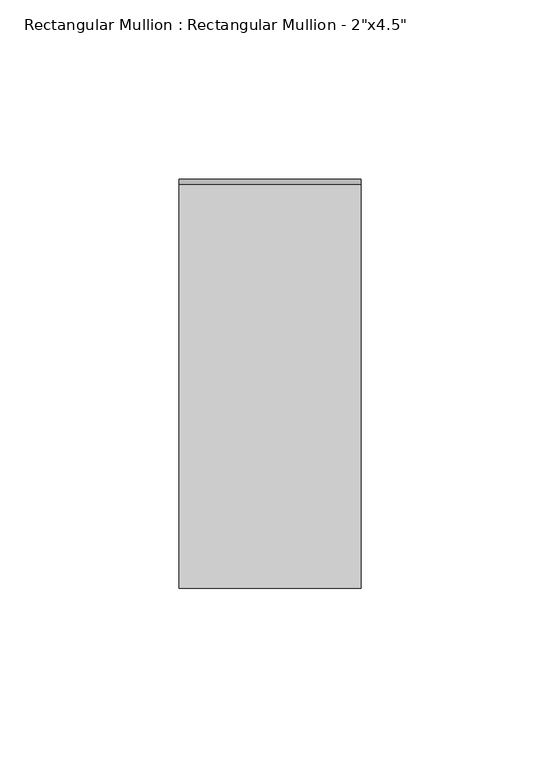
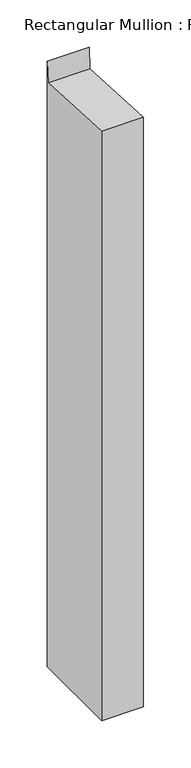
"""IFC4 building model written with IfcOpenShell, lengths in millimetres: member geometry."""

from ifc_helpers import new_model, si_unit, frame, origin, place, context, project, spatial, polyline, outline, extrude, source, transform, mapped, element, save


def member_b2e358dc(model_context):
    return source(origin(), model_context, "Body", "SweptSolid", [
        extrude(outline(polyline([(-57.15, 3.0093132), (55.7174627, -3.0050498), (57.15, 23.8784047), (57.15, -756.3677534), (-57.15, -756.3677534), (-57.15, 3.0093132)])), frame((-50.8, 0.0, 0.0), z_axis=(1.0, 0.0, 0.0), x_axis=(0.0, 1.0, 0.0)), (0.0, 0.0, 1.0), 50.8),
    ])


if __name__ == "__main__":
    model = new_model("IFC4")
    model_context = context("Model", 3, world=origin())
    ifc_project = project(units=[si_unit("LENGTHUNIT", "METRE", prefix="MILLI")], contexts=[model_context])
    site = spatial("IfcSite", under=ifc_project)
    building = spatial("IfcBuilding", under=site)
    placement = place(None, origin())
    member_shape = member_b2e358dc(model_context)
    element("IfcMember", 1, ObjectType="Rectangular Mullion : Rectangular Mullion - 2\"x4.5\"", at=placement, inside=building, context=model_context, shape_type="MappedRepresentation", body=[
        mapped(member_shape, transform((0.0, 0.0, 0.0), x_axis=(1.0, 0.0, 0.0), y_axis=(0.0, 1.0, 0.0), z_axis=(0.0, 0.0, 1.0))),
    ])
    save(model, "model.ifc")
